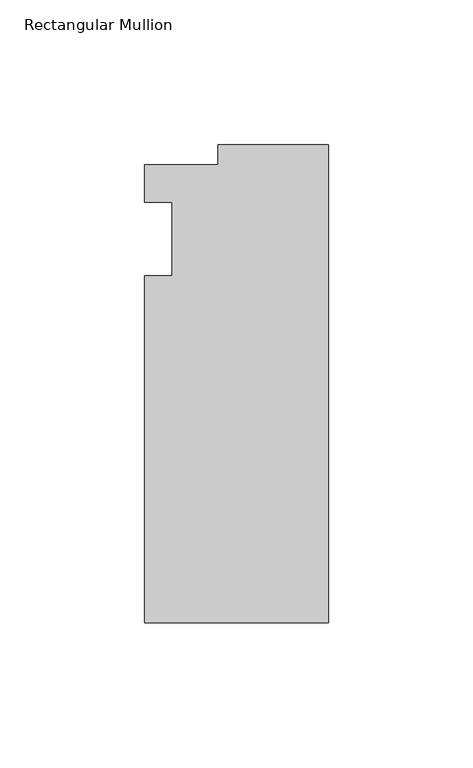
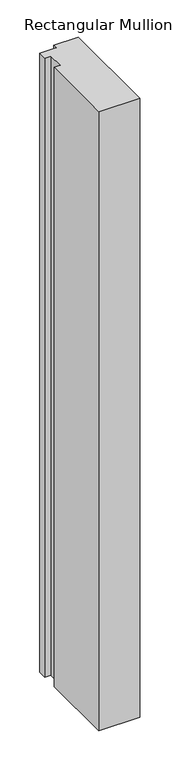
"""IFC4 building model written with IfcOpenShell, lengths in millimetres: member geometry, Rectangular Mullion."""

from ifc_helpers import new_model, si_unit, frame, origin, place, context, project, spatial, polyline, outline, extrude, source, transform, mapped, element, save


def rectangular_mullion_89b03370(model_context):
    return source(origin(), model_context, "Body", "SweptSolid", [
        extrude(outline(polyline([(-38.1, 32.54375), (0.0, 32.54375), (0.0, -132.55625), (-63.5, -132.55625), (-63.5, -12.7), (-53.975, -12.7), (-53.975, 12.7), (-63.5, 12.7), (-63.5, 25.58415), (-38.1, 25.58415), (-38.1, 32.54375)])), frame((0.0, 0.0, -1016.0), z_axis=(0.0, 0.0, 1.0), x_axis=(1.0, 0.0, 0.0)), (0.0, 0.0, 1.0), 1016.0),
    ])


if __name__ == "__main__":
    model = new_model("IFC4")
    model_context = context("Model", 3, world=origin())
    ifc_project = project(units=[si_unit("LENGTHUNIT", "METRE", prefix="MILLI")], contexts=[model_context])
    site = spatial("IfcSite", under=ifc_project)
    building = spatial("IfcBuilding", under=site)
    placement = place(None, origin())
    rectangular_mullion_shape = rectangular_mullion_89b03370(model_context)
    element("IfcMember", 1, ObjectType="Rectangular Mullion", at=placement, inside=building, context=model_context, shape_type="MappedRepresentation", body=[
        mapped(rectangular_mullion_shape, transform((0.0, 0.0, 0.0), x_axis=(1.0, 0.0, 0.0), y_axis=(0.0, 1.0, 0.0), z_axis=(0.0, 0.0, 1.0))),
    ])
    save(model, "model.ifc")
